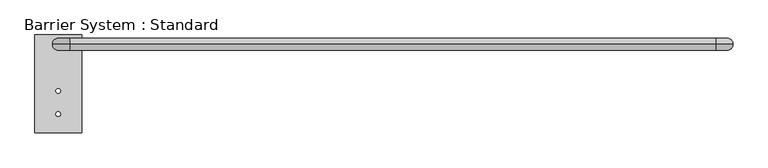
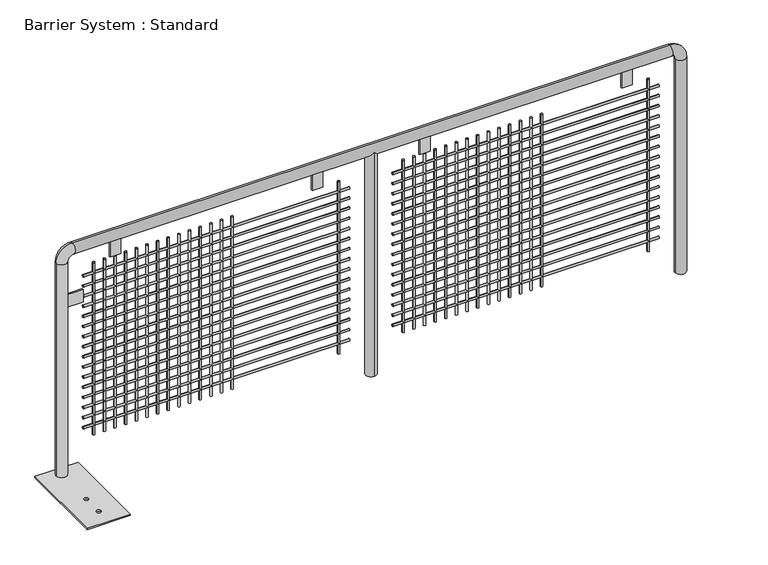
"""IFC4 building model written with IfcOpenShell, lengths in millimetres: proxy geometry, Barrier System : Standard."""

from ifc_helpers import new_model, si_unit, point, frame, frame_2d, origin, origin_with_axes, place, context, project, spatial, polyline, circle_curve, ellipse_curve, trimmed, segment, composite_curve, outline, extrude, source, transform, mapped, element, save
from ifc_brep_helpers import plane_surface, cylinder_surface, revolved_surface, advanced_brep


def barrier_system_standard_8e7e03a2(model_context):
    return source(origin(), model_context, "Body", "SolidModel", [
        extrude(outline(polyline([(100.0, 40.0), (100.0, -380.0), (-100.0, -380.0), (-100.0, 40.0), (100.0, 40.0)]), holes=[composite_curve([segment(trimmed(circle_curve(frame_2d((0.0, -200.0)), 10.0), [point((-10.0, -200.0))], [point((10.0, -200.0))], True, "CARTESIAN"), True, "CONTINUOUS"), segment(trimmed(circle_curve(frame_2d((0.0, -200.0)), 10.0), [point((10.0, -200.0))], [point((-10.0, -200.0))], True, "CARTESIAN"), True, "CONTINUOUS")], self_intersect=False), composite_curve([segment(trimmed(circle_curve(frame_2d((0.0, -300.0)), 10.0), [point((-10.0, -300.0))], [point((10.0, -300.0))], True, "CARTESIAN"), True, "CONTINUOUS"), segment(trimmed(circle_curve(frame_2d((0.0, -300.0)), 10.0), [point((10.0, -300.0))], [point((-10.0, -300.0))], True, "CARTESIAN"), True, "CONTINUOUS")], self_intersect=False)]), origin_with_axes(), (0.0, 0.0, 1.0), 6.0),
        extrude(outline(polyline([(100.0, 4.0), (100.0, -4.0), (0.0, -4.0), (0.0, 4.0), (100.0, 4.0)])), frame((0.0, 0.0, 820.2941176), z_axis=(0.0, 0.0, 1.0), x_axis=(1.0, 0.0, 0.0)), (0.0, 0.0, 1.0), 60.0),
        extrude(outline(polyline([(2647.168, 3.0), (2647.168, -3.0), (2597.168, -3.0), (2597.168, 3.0), (2647.168, 3.0)])), frame((0.0, 0.0, 995.0), z_axis=(0.0, 0.0, 1.0), x_axis=(1.0, 0.0, 0.0)), (0.0, 0.0, 1.0), 105.0),
        extrude(outline(polyline([(1710.232, 3.0), (1710.232, -3.0), (1660.232, -3.0), (1660.232, 3.0), (1710.232, 3.0)])), frame((0.0, 0.0, 995.0), z_axis=(0.0, 0.0, 1.0), x_axis=(1.0, 0.0, 0.0)), (0.0, 0.0, 1.0), 105.0),
        extrude(outline(polyline([(1211.368, 3.0), (1211.368, -3.0), (1161.368, -3.0), (1161.368, 3.0), (1211.368, 3.0)])), frame((0.0, 0.0, 995.0), z_axis=(0.0, 0.0, 1.0), x_axis=(1.0, 0.0, 0.0)), (0.0, 0.0, 1.0), 105.0),
        extrude(outline(polyline([(274.432, 3.0), (274.432, -3.0), (224.432, -3.0), (224.432, 3.0), (274.432, 3.0)])), frame((0.0, 0.0, 995.0), z_axis=(0.0, 0.0, 1.0), x_axis=(1.0, 0.0, 0.0)), (0.0, 0.0, 1.0), 105.0),
        extrude(outline(composite_curve([segment(trimmed(circle_curve(frame_2d((0.0, 249.4117647)), 5.0), [point((0.0, 244.4117647))], [point((0.0, 254.4117647))], False, "CARTESIAN"), True, "CONTINUOUS"), segment(trimmed(circle_curve(frame_2d((0.0, 249.4117647)), 5.0), [point((0.0, 254.4117647))], [point((0.0, 244.4117647))], False, "CARTESIAN"), True, "CONTINUOUS")], self_intersect=False)), frame((1535.8, 0.0, 0.0), z_axis=(1.0, 0.0, 0.0), x_axis=(0.0, 1.0, 0.0)), (0.0, 0.0, 1.0), 1235.8),
        extrude(outline(composite_curve([segment(trimmed(circle_curve(frame_2d((0.0, 299.1176471)), 5.0), [point((0.0, 294.1176471))], [point((0.0, 304.1176471))], False, "CARTESIAN"), True, "CONTINUOUS"), segment(trimmed(circle_curve(frame_2d((0.0, 299.1176471)), 5.0), [point((0.0, 304.1176471))], [point((0.0, 294.1176471))], False, "CARTESIAN"), True, "CONTINUOUS")], self_intersect=False)), frame((1535.8, 0.0, 0.0), z_axis=(1.0, 0.0, 0.0), x_axis=(0.0, 1.0, 0.0)), (0.0, 0.0, 1.0), 1235.8),
        extrude(outline(composite_curve([segment(trimmed(circle_curve(frame_2d((0.0, 348.8235294)), 5.0), [point((0.0, 343.8235294))], [point((0.0, 353.8235294))], False, "CARTESIAN"), True, "CONTINUOUS"), segment(trimmed(circle_curve(frame_2d((0.0, 348.8235294)), 5.0), [point((0.0, 353.8235294))], [point((0.0, 343.8235294))], False, "CARTESIAN"), True, "CONTINUOUS")], self_intersect=False)), frame((1535.8, 0.0, 0.0), z_axis=(1.0, 0.0, 0.0), x_axis=(0.0, 1.0, 0.0)), (0.0, 0.0, 1.0), 1235.8),
        extrude(outline(composite_curve([segment(trimmed(circle_curve(frame_2d((0.0, 398.5294118)), 5.0), [point((0.0, 393.5294118))], [point((0.0, 403.5294118))], False, "CARTESIAN"), True, "CONTINUOUS"), segment(trimmed(circle_curve(frame_2d((0.0, 398.5294118)), 5.0), [point((0.0, 403.5294118))], [point((0.0, 393.5294118))], False, "CARTESIAN"), True, "CONTINUOUS")], self_intersect=False)), frame((1535.8, 0.0, 0.0), z_axis=(1.0, 0.0, 0.0), x_axis=(0.0, 1.0, 0.0)), (0.0, 0.0, 1.0), 1235.8),
        extrude(outline(composite_curve([segment(trimmed(circle_curve(frame_2d((0.0, 448.2352941)), 5.0), [point((0.0, 443.2352941))], [point((0.0, 453.2352941))], False, "CARTESIAN"), True, "CONTINUOUS"), segment(trimmed(circle_curve(frame_2d((0.0, 448.2352941)), 5.0), [point((0.0, 453.2352941))], [point((0.0, 443.2352941))], False, "CARTESIAN"), True, "CONTINUOUS")], self_intersect=False)), frame((1535.8, 0.0, 0.0), z_axis=(1.0, 0.0, 0.0), x_axis=(0.0, 1.0, 0.0)), (0.0, 0.0, 1.0), 1235.8),
        extrude(outline(composite_curve([segment(trimmed(circle_curve(frame_2d((0.0, 497.9411765)), 5.0), [point((0.0, 492.9411765))], [point((0.0, 502.9411765))], False, "CARTESIAN"), True, "CONTINUOUS"), segment(trimmed(circle_curve(frame_2d((0.0, 497.9411765)), 5.0), [point((0.0, 502.9411765))], [point((0.0, 492.9411765))], False, "CARTESIAN"), True, "CONTINUOUS")], self_intersect=False)), frame((1535.8, 0.0, 0.0), z_axis=(1.0, 0.0, 0.0), x_axis=(0.0, 1.0, 0.0)), (0.0, 0.0, 1.0), 1235.8),
        extrude(outline(composite_curve([segment(trimmed(circle_curve(frame_2d((0.0, 547.6470588)), 5.0), [point((0.0, 542.6470588))], [point((0.0, 552.6470588))], False, "CARTESIAN"), True, "CONTINUOUS"), segment(trimmed(circle_curve(frame_2d((0.0, 547.6470588)), 5.0), [point((0.0, 552.6470588))], [point((0.0, 542.6470588))], False, "CARTESIAN"), True, "CONTINUOUS")], self_intersect=False)), frame((1535.8, 0.0, 0.0), z_axis=(1.0, 0.0, 0.0), x_axis=(0.0, 1.0, 0.0)), (0.0, 0.0, 1.0), 1235.8),
        extrude(outline(composite_curve([segment(trimmed(circle_curve(frame_2d((0.0, 597.3529412)), 5.0), [point((0.0, 592.3529412))], [point((0.0, 602.3529412))], False, "CARTESIAN"), True, "CONTINUOUS"), segment(trimmed(circle_curve(frame_2d((0.0, 597.3529412)), 5.0), [point((0.0, 602.3529412))], [point((0.0, 592.3529412))], False, "CARTESIAN"), True, "CONTINUOUS")], self_intersect=False)), frame((1535.8, 0.0, 0.0), z_axis=(1.0, 0.0, 0.0), x_axis=(0.0, 1.0, 0.0)), (0.0, 0.0, 1.0), 1235.8),
        extrude(outline(composite_curve([segment(trimmed(circle_curve(frame_2d((0.0, 647.0588235)), 5.0), [point((0.0, 642.0588235))], [point((0.0, 652.0588235))], False, "CARTESIAN"), True, "CONTINUOUS"), segment(trimmed(circle_curve(frame_2d((0.0, 647.0588235)), 5.0), [point((0.0, 652.0588235))], [point((0.0, 642.0588235))], False, "CARTESIAN"), True, "CONTINUOUS")], self_intersect=False)), frame((1535.8, 0.0, 0.0), z_axis=(1.0, 0.0, 0.0), x_axis=(0.0, 1.0, 0.0)), (0.0, 0.0, 1.0), 1235.8),
        extrude(outline(composite_curve([segment(trimmed(circle_curve(frame_2d((0.0, 696.7647059)), 5.0), [point((0.0, 691.7647059))], [point((0.0, 701.7647059))], False, "CARTESIAN"), True, "CONTINUOUS"), segment(trimmed(circle_curve(frame_2d((0.0, 696.7647059)), 5.0), [point((0.0, 701.7647059))], [point((0.0, 691.7647059))], False, "CARTESIAN"), True, "CONTINUOUS")], self_intersect=False)), frame((1535.8, 0.0, 0.0), z_axis=(1.0, 0.0, 0.0), x_axis=(0.0, 1.0, 0.0)), (0.0, 0.0, 1.0), 1235.8),
        extrude(outline(composite_curve([segment(trimmed(circle_curve(frame_2d((0.0, 746.4705882)), 5.0), [point((0.0, 741.4705882))], [point((0.0, 751.4705882))], False, "CARTESIAN"), True, "CONTINUOUS"), segment(trimmed(circle_curve(frame_2d((0.0, 746.4705882)), 5.0), [point((0.0, 751.4705882))], [point((0.0, 741.4705882))], False, "CARTESIAN"), True, "CONTINUOUS")], self_intersect=False)), frame((1535.8, 0.0, 0.0), z_axis=(1.0, 0.0, 0.0), x_axis=(0.0, 1.0, 0.0)), (0.0, 0.0, 1.0), 1235.8),
        extrude(outline(composite_curve([segment(trimmed(circle_curve(frame_2d((0.0, 796.1764706)), 5.0), [point((0.0, 791.1764706))], [point((0.0, 801.1764706))], False, "CARTESIAN"), True, "CONTINUOUS"), segment(trimmed(circle_curve(frame_2d((0.0, 796.1764706)), 5.0), [point((0.0, 801.1764706))], [point((0.0, 791.1764706))], False, "CARTESIAN"), True, "CONTINUOUS")], self_intersect=False)), frame((1535.8, 0.0, 0.0), z_axis=(1.0, 0.0, 0.0), x_axis=(0.0, 1.0, 0.0)), (0.0, 0.0, 1.0), 1235.8),
        extrude(outline(composite_curve([segment(trimmed(circle_curve(frame_2d((0.0, 845.8823529)), 5.0), [point((0.0, 840.8823529))], [point((0.0, 850.8823529))], False, "CARTESIAN"), True, "CONTINUOUS"), segment(trimmed(circle_curve(frame_2d((0.0, 845.8823529)), 5.0), [point((0.0, 850.8823529))], [point((0.0, 840.8823529))], False, "CARTESIAN"), True, "CONTINUOUS")], self_intersect=False)), frame((1535.8, 0.0, 0.0), z_axis=(1.0, 0.0, 0.0), x_axis=(0.0, 1.0, 0.0)), (0.0, 0.0, 1.0), 1235.8),
        extrude(outline(composite_curve([segment(trimmed(circle_curve(frame_2d((0.0, 895.5882353)), 5.0), [point((0.0, 890.5882353))], [point((0.0, 900.5882353))], False, "CARTESIAN"), True, "CONTINUOUS"), segment(trimmed(circle_curve(frame_2d((0.0, 895.5882353)), 5.0), [point((0.0, 900.5882353))], [point((0.0, 890.5882353))], False, "CARTESIAN"), True, "CONTINUOUS")], self_intersect=False)), frame((1535.8, 0.0, 0.0), z_axis=(1.0, 0.0, 0.0), x_axis=(0.0, 1.0, 0.0)), (0.0, 0.0, 1.0), 1235.8),
        extrude(outline(composite_curve([segment(trimmed(circle_curve(frame_2d((0.0, 199.7058824)), 5.0), [point((0.0, 194.7058824))], [point((0.0, 204.7058824))], False, "CARTESIAN"), True, "CONTINUOUS"), segment(trimmed(circle_curve(frame_2d((0.0, 199.7058824)), 5.0), [point((0.0, 204.7058824))], [point((0.0, 194.7058824))], False, "CARTESIAN"), True, "CONTINUOUS")], self_intersect=False)), frame((1535.8, 0.0, 0.0), z_axis=(1.0, 0.0, 0.0), x_axis=(0.0, 1.0, 0.0)), (0.0, 0.0, 1.0), 1235.8),
        extrude(outline(composite_curve([segment(trimmed(circle_curve(frame_2d((0.0, 945.2941176)), 5.0), [point((0.0, 940.2941176))], [point((0.0, 950.2941176))], False, "CARTESIAN"), True, "CONTINUOUS"), segment(trimmed(circle_curve(frame_2d((0.0, 945.2941176)), 5.0), [point((0.0, 950.2941176))], [point((0.0, 940.2941176))], False, "CARTESIAN"), True, "CONTINUOUS")], self_intersect=False)), frame((1535.8, 0.0, 0.0), z_axis=(1.0, 0.0, 0.0), x_axis=(0.0, 1.0, 0.0)), (0.0, 0.0, 1.0), 1235.8),
        extrude(outline(composite_curve([segment(trimmed(circle_curve(frame_2d((0.0, 249.4117647)), 5.0), [point((0.0, 244.4117647))], [point((0.0, 254.4117647))], False, "CARTESIAN"), True, "CONTINUOUS"), segment(trimmed(circle_curve(frame_2d((0.0, 249.4117647)), 5.0), [point((0.0, 254.4117647))], [point((0.0, 244.4117647))], False, "CARTESIAN"), True, "CONTINUOUS")], self_intersect=False)), frame((100.0, 0.0, 0.0), z_axis=(1.0, 0.0, 0.0), x_axis=(0.0, 1.0, 0.0)), (0.0, 0.0, 1.0), 1235.8),
        extrude(outline(composite_curve([segment(trimmed(circle_curve(frame_2d((0.0, 299.1176471)), 5.0), [point((0.0, 294.1176471))], [point((0.0, 304.1176471))], False, "CARTESIAN"), True, "CONTINUOUS"), segment(trimmed(circle_curve(frame_2d((0.0, 299.1176471)), 5.0), [point((0.0, 304.1176471))], [point((0.0, 294.1176471))], False, "CARTESIAN"), True, "CONTINUOUS")], self_intersect=False)), frame((100.0, 0.0, 0.0), z_axis=(1.0, 0.0, 0.0), x_axis=(0.0, 1.0, 0.0)), (0.0, 0.0, 1.0), 1235.8),
        extrude(outline(composite_curve([segment(trimmed(circle_curve(frame_2d((0.0, 348.8235294)), 5.0), [point((0.0, 343.8235294))], [point((0.0, 353.8235294))], False, "CARTESIAN"), True, "CONTINUOUS"), segment(trimmed(circle_curve(frame_2d((0.0, 348.8235294)), 5.0), [point((0.0, 353.8235294))], [point((0.0, 343.8235294))], False, "CARTESIAN"), True, "CONTINUOUS")], self_intersect=False)), frame((100.0, 0.0, 0.0), z_axis=(1.0, 0.0, 0.0), x_axis=(0.0, 1.0, 0.0)), (0.0, 0.0, 1.0), 1235.8),
        extrude(outline(composite_curve([segment(trimmed(circle_curve(frame_2d((0.0, 398.5294118)), 5.0), [point((0.0, 393.5294118))], [point((0.0, 403.5294118))], False, "CARTESIAN"), True, "CONTINUOUS"), segment(trimmed(circle_curve(frame_2d((0.0, 398.5294118)), 5.0), [point((0.0, 403.5294118))], [point((0.0, 393.5294118))], False, "CARTESIAN"), True, "CONTINUOUS")], self_intersect=False)), frame((100.0, 0.0, 0.0), z_axis=(1.0, 0.0, 0.0), x_axis=(0.0, 1.0, 0.0)), (0.0, 0.0, 1.0), 1235.8),
        extrude(outline(composite_curve([segment(trimmed(circle_curve(frame_2d((0.0, 448.2352941)), 5.0), [point((0.0, 443.2352941))], [point((0.0, 453.2352941))], False, "CARTESIAN"), True, "CONTINUOUS"), segment(trimmed(circle_curve(frame_2d((0.0, 448.2352941)), 5.0), [point((0.0, 453.2352941))], [point((0.0, 443.2352941))], False, "CARTESIAN"), True, "CONTINUOUS")], self_intersect=False)), frame((100.0, 0.0, 0.0), z_axis=(1.0, 0.0, 0.0), x_axis=(0.0, 1.0, 0.0)), (0.0, 0.0, 1.0), 1235.8),
        extrude(outline(composite_curve([segment(trimmed(circle_curve(frame_2d((0.0, 497.9411765)), 5.0), [point((0.0, 492.9411765))], [point((0.0, 502.9411765))], False, "CARTESIAN"), True, "CONTINUOUS"), segment(trimmed(circle_curve(frame_2d((0.0, 497.9411765)), 5.0), [point((0.0, 502.9411765))], [point((0.0, 492.9411765))], False, "CARTESIAN"), True, "CONTINUOUS")], self_intersect=False)), frame((100.0, 0.0, 0.0), z_axis=(1.0, 0.0, 0.0), x_axis=(0.0, 1.0, 0.0)), (0.0, 0.0, 1.0), 1235.8),
        extrude(outline(composite_curve([segment(trimmed(circle_curve(frame_2d((0.0, 547.6470588)), 5.0), [point((0.0, 542.6470588))], [point((0.0, 552.6470588))], False, "CARTESIAN"), True, "CONTINUOUS"), segment(trimmed(circle_curve(frame_2d((0.0, 547.6470588)), 5.0), [point((0.0, 552.6470588))], [point((0.0, 542.6470588))], False, "CARTESIAN"), True, "CONTINUOUS")], self_intersect=False)), frame((100.0, 0.0, 0.0), z_axis=(1.0, 0.0, 0.0), x_axis=(0.0, 1.0, 0.0)), (0.0, 0.0, 1.0), 1235.8),
        extrude(outline(composite_curve([segment(trimmed(circle_curve(frame_2d((0.0, 597.3529412)), 5.0), [point((0.0, 592.3529412))], [point((0.0, 602.3529412))], False, "CARTESIAN"), True, "CONTINUOUS"), segment(trimmed(circle_curve(frame_2d((0.0, 597.3529412)), 5.0), [point((0.0, 602.3529412))], [point((0.0, 592.3529412))], False, "CARTESIAN"), True, "CONTINUOUS")], self_intersect=False)), frame((100.0, 0.0, 0.0), z_axis=(1.0, 0.0, 0.0), x_axis=(0.0, 1.0, 0.0)), (0.0, 0.0, 1.0), 1235.8),
        extrude(outline(composite_curve([segment(trimmed(circle_curve(frame_2d((0.0, 647.0588235)), 5.0), [point((0.0, 642.0588235))], [point((0.0, 652.0588235))], False, "CARTESIAN"), True, "CONTINUOUS"), segment(trimmed(circle_curve(frame_2d((0.0, 647.0588235)), 5.0), [point((0.0, 652.0588235))], [point((0.0, 642.0588235))], False, "CARTESIAN"), True, "CONTINUOUS")], self_intersect=False)), frame((100.0, 0.0, 0.0), z_axis=(1.0, 0.0, 0.0), x_axis=(0.0, 1.0, 0.0)), (0.0, 0.0, 1.0), 1235.8),
        extrude(outline(composite_curve([segment(trimmed(circle_curve(frame_2d((0.0, 696.7647059)), 5.0), [point((0.0, 691.7647059))], [point((0.0, 701.7647059))], False, "CARTESIAN"), True, "CONTINUOUS"), segment(trimmed(circle_curve(frame_2d((0.0, 696.7647059)), 5.0), [point((0.0, 701.7647059))], [point((0.0, 691.7647059))], False, "CARTESIAN"), True, "CONTINUOUS")], self_intersect=False)), frame((100.0, 0.0, 0.0), z_axis=(1.0, 0.0, 0.0), x_axis=(0.0, 1.0, 0.0)), (0.0, 0.0, 1.0), 1235.8),
        extrude(outline(composite_curve([segment(trimmed(circle_curve(frame_2d((0.0, 746.4705882)), 5.0), [point((0.0, 741.4705882))], [point((0.0, 751.4705882))], False, "CARTESIAN"), True, "CONTINUOUS"), segment(trimmed(circle_curve(frame_2d((0.0, 746.4705882)), 5.0), [point((0.0, 751.4705882))], [point((0.0, 741.4705882))], False, "CARTESIAN"), True, "CONTINUOUS")], self_intersect=False)), frame((100.0, 0.0, 0.0), z_axis=(1.0, 0.0, 0.0), x_axis=(0.0, 1.0, 0.0)), (0.0, 0.0, 1.0), 1235.8),
        extrude(outline(composite_curve([segment(trimmed(circle_curve(frame_2d((0.0, 796.1764706)), 5.0), [point((0.0, 791.1764706))], [point((0.0, 801.1764706))], False, "CARTESIAN"), True, "CONTINUOUS"), segment(trimmed(circle_curve(frame_2d((0.0, 796.1764706)), 5.0), [point((0.0, 801.1764706))], [point((0.0, 791.1764706))], False, "CARTESIAN"), True, "CONTINUOUS")], self_intersect=False)), frame((100.0, 0.0, 0.0), z_axis=(1.0, 0.0, 0.0), x_axis=(0.0, 1.0, 0.0)), (0.0, 0.0, 1.0), 1235.8),
        extrude(outline(composite_curve([segment(trimmed(circle_curve(frame_2d((0.0, 845.8823529)), 5.0), [point((0.0, 840.8823529))], [point((0.0, 850.8823529))], False, "CARTESIAN"), True, "CONTINUOUS"), segment(trimmed(circle_curve(frame_2d((0.0, 845.8823529)), 5.0), [point((0.0, 850.8823529))], [point((0.0, 840.8823529))], False, "CARTESIAN"), True, "CONTINUOUS")], self_intersect=False)), frame((100.0, 0.0, 0.0), z_axis=(1.0, 0.0, 0.0), x_axis=(0.0, 1.0, 0.0)), (0.0, 0.0, 1.0), 1235.8),
        extrude(outline(composite_curve([segment(trimmed(circle_curve(frame_2d((0.0, 895.5882353)), 5.0), [point((0.0, 890.5882353))], [point((0.0, 900.5882353))], False, "CARTESIAN"), True, "CONTINUOUS"), segment(trimmed(circle_curve(frame_2d((0.0, 895.5882353)), 5.0), [point((0.0, 900.5882353))], [point((0.0, 890.5882353))], False, "CARTESIAN"), True, "CONTINUOUS")], self_intersect=False)), frame((100.0, 0.0, 0.0), z_axis=(1.0, 0.0, 0.0), x_axis=(0.0, 1.0, 0.0)), (0.0, 0.0, 1.0), 1235.8),
        extrude(outline(composite_curve([segment(trimmed(circle_curve(frame_2d((0.0, 199.7058824)), 5.0), [point((0.0, 194.7058824))], [point((0.0, 204.7058824))], False, "CARTESIAN"), True, "CONTINUOUS"), segment(trimmed(circle_curve(frame_2d((0.0, 199.7058824)), 5.0), [point((0.0, 204.7058824))], [point((0.0, 194.7058824))], False, "CARTESIAN"), True, "CONTINUOUS")], self_intersect=False)), frame((100.0, 0.0, 0.0), z_axis=(1.0, 0.0, 0.0), x_axis=(0.0, 1.0, 0.0)), (0.0, 0.0, 1.0), 1235.8),
        extrude(outline(composite_curve([segment(trimmed(circle_curve(frame_2d((0.0, 945.2941176)), 5.0), [point((0.0, 940.2941176))], [point((0.0, 950.2941176))], False, "CARTESIAN"), True, "CONTINUOUS"), segment(trimmed(circle_curve(frame_2d((0.0, 945.2941176)), 5.0), [point((0.0, 950.2941176))], [point((0.0, 940.2941176))], False, "CARTESIAN"), True, "CONTINUOUS")], self_intersect=False)), frame((100.0, 0.0, 0.0), z_axis=(1.0, 0.0, 0.0), x_axis=(0.0, 1.0, 0.0)), (0.0, 0.0, 1.0), 1235.8),
        extrude(outline(composite_curve([segment(trimmed(circle_curve(frame_2d((2227.848, 0.0)), 5.0), [point((2232.848, 0.0))], [point((2222.848, 0.0))], False, "CARTESIAN"), True, "CONTINUOUS"), segment(trimmed(circle_curve(frame_2d((2227.848, 0.0)), 5.0), [point((2222.848, 0.0))], [point((2232.848, 0.0))], False, "CARTESIAN"), True, "CONTINUOUS")], self_intersect=False)), frame((0.0, 0.0, 150.0), z_axis=(0.0, 0.0, 1.0), x_axis=(1.0, 0.0, 0.0)), (0.0, 0.0, 1.0), 845.0),
        extrude(outline(composite_curve([segment(trimmed(circle_curve(frame_2d((2178.416, 0.0)), 5.0), [point((2183.416, 0.0))], [point((2173.416, 0.0))], False, "CARTESIAN"), True, "CONTINUOUS"), segment(trimmed(circle_curve(frame_2d((2178.416, 0.0)), 5.0), [point((2173.416, 0.0))], [point((2183.416, 0.0))], False, "CARTESIAN"), True, "CONTINUOUS")], self_intersect=False)), frame((0.0, 0.0, 150.0), z_axis=(0.0, 0.0, 1.0), x_axis=(1.0, 0.0, 0.0)), (0.0, 0.0, 1.0), 845.0),
        extrude(outline(composite_curve([segment(trimmed(circle_curve(frame_2d((2128.984, 0.0)), 5.0), [point((2133.984, 0.0))], [point((2123.984, 0.0))], False, "CARTESIAN"), True, "CONTINUOUS"), segment(trimmed(circle_curve(frame_2d((2128.984, 0.0)), 5.0), [point((2123.984, 0.0))], [point((2133.984, 0.0))], False, "CARTESIAN"), True, "CONTINUOUS")], self_intersect=False)), frame((0.0, 0.0, 150.0), z_axis=(0.0, 0.0, 1.0), x_axis=(1.0, 0.0, 0.0)), (0.0, 0.0, 1.0), 845.0),
        extrude(outline(composite_curve([segment(trimmed(circle_curve(frame_2d((2079.552, 0.0)), 5.0), [point((2084.552, 0.0))], [point((2074.552, 0.0))], False, "CARTESIAN"), True, "CONTINUOUS"), segment(trimmed(circle_curve(frame_2d((2079.552, 0.0)), 5.0), [point((2074.552, 0.0))], [point((2084.552, 0.0))], False, "CARTESIAN"), True, "CONTINUOUS")], self_intersect=False)), frame((0.0, 0.0, 150.0), z_axis=(0.0, 0.0, 1.0), x_axis=(1.0, 0.0, 0.0)), (0.0, 0.0, 1.0), 845.0),
        extrude(outline(composite_curve([segment(trimmed(circle_curve(frame_2d((2030.12, 0.0)), 5.0), [point((2035.12, 0.0))], [point((2025.12, 0.0))], False, "CARTESIAN"), True, "CONTINUOUS"), segment(trimmed(circle_curve(frame_2d((2030.12, 0.0)), 5.0), [point((2025.12, 0.0))], [point((2035.12, 0.0))], False, "CARTESIAN"), True, "CONTINUOUS")], self_intersect=False)), frame((0.0, 0.0, 150.0), z_axis=(0.0, 0.0, 1.0), x_axis=(1.0, 0.0, 0.0)), (0.0, 0.0, 1.0), 845.0),
        extrude(outline(composite_curve([segment(trimmed(circle_curve(frame_2d((1980.688, 0.0)), 5.0), [point((1985.688, 0.0))], [point((1975.688, 0.0))], False, "CARTESIAN"), True, "CONTINUOUS"), segment(trimmed(circle_curve(frame_2d((1980.688, 0.0)), 5.0), [point((1975.688, 0.0))], [point((1985.688, 0.0))], False, "CARTESIAN"), True, "CONTINUOUS")], self_intersect=False)), frame((0.0, 0.0, 150.0), z_axis=(0.0, 0.0, 1.0), x_axis=(1.0, 0.0, 0.0)), (0.0, 0.0, 1.0), 845.0),
        extrude(outline(composite_curve([segment(trimmed(circle_curve(frame_2d((1931.256, 0.0)), 5.0), [point((1936.256, 0.0))], [point((1926.256, 0.0))], False, "CARTESIAN"), True, "CONTINUOUS"), segment(trimmed(circle_curve(frame_2d((1931.256, 0.0)), 5.0), [point((1926.256, 0.0))], [point((1936.256, 0.0))], False, "CARTESIAN"), True, "CONTINUOUS")], self_intersect=False)), frame((0.0, 0.0, 150.0), z_axis=(0.0, 0.0, 1.0), x_axis=(1.0, 0.0, 0.0)), (0.0, 0.0, 1.0), 845.0),
        extrude(outline(composite_curve([segment(trimmed(circle_curve(frame_2d((1881.824, 0.0)), 5.0), [point((1886.824, 0.0))], [point((1876.824, 0.0))], False, "CARTESIAN"), True, "CONTINUOUS"), segment(trimmed(circle_curve(frame_2d((1881.824, 0.0)), 5.0), [point((1876.824, 0.0))], [point((1886.824, 0.0))], False, "CARTESIAN"), True, "CONTINUOUS")], self_intersect=False)), frame((0.0, 0.0, 150.0), z_axis=(0.0, 0.0, 1.0), x_axis=(1.0, 0.0, 0.0)), (0.0, 0.0, 1.0), 845.0),
        extrude(outline(composite_curve([segment(trimmed(circle_curve(frame_2d((1832.392, 0.0)), 5.0), [point((1837.392, 0.0))], [point((1827.392, 0.0))], False, "CARTESIAN"), True, "CONTINUOUS"), segment(trimmed(circle_curve(frame_2d((1832.392, 0.0)), 5.0), [point((1827.392, 0.0))], [point((1837.392, 0.0))], False, "CARTESIAN"), True, "CONTINUOUS")], self_intersect=False)), frame((0.0, 0.0, 150.0), z_axis=(0.0, 0.0, 1.0), x_axis=(1.0, 0.0, 0.0)), (0.0, 0.0, 1.0), 845.0),
        extrude(outline(composite_curve([segment(trimmed(circle_curve(frame_2d((1782.96, 0.0)), 5.0), [point((1787.96, 0.0))], [point((1777.96, 0.0))], False, "CARTESIAN"), True, "CONTINUOUS"), segment(trimmed(circle_curve(frame_2d((1782.96, 0.0)), 5.0), [point((1777.96, 0.0))], [point((1787.96, 0.0))], False, "CARTESIAN"), True, "CONTINUOUS")], self_intersect=False)), frame((0.0, 0.0, 150.0), z_axis=(0.0, 0.0, 1.0), x_axis=(1.0, 0.0, 0.0)), (0.0, 0.0, 1.0), 845.0),
        extrude(outline(composite_curve([segment(trimmed(circle_curve(frame_2d((1733.528, 0.0)), 5.0), [point((1738.528, 0.0))], [point((1728.528, 0.0))], False, "CARTESIAN"), True, "CONTINUOUS"), segment(trimmed(circle_curve(frame_2d((1733.528, 0.0)), 5.0), [point((1728.528, 0.0))], [point((1738.528, 0.0))], False, "CARTESIAN"), True, "CONTINUOUS")], self_intersect=False)), frame((0.0, 0.0, 150.0), z_axis=(0.0, 0.0, 1.0), x_axis=(1.0, 0.0, 0.0)), (0.0, 0.0, 1.0), 845.0),
        extrude(outline(composite_curve([segment(trimmed(circle_curve(frame_2d((1684.096, 0.0)), 5.0), [point((1689.096, 0.0))], [point((1679.096, 0.0))], False, "CARTESIAN"), True, "CONTINUOUS"), segment(trimmed(circle_curve(frame_2d((1684.096, 0.0)), 5.0), [point((1679.096, 0.0))], [point((1689.096, 0.0))], False, "CARTESIAN"), True, "CONTINUOUS")], self_intersect=False)), frame((0.0, 0.0, 150.0), z_axis=(0.0, 0.0, 1.0), x_axis=(1.0, 0.0, 0.0)), (0.0, 0.0, 1.0), 845.0),
        extrude(outline(composite_curve([segment(trimmed(circle_curve(frame_2d((1634.664, 0.0)), 5.0), [point((1639.664, 0.0))], [point((1629.664, 0.0))], False, "CARTESIAN"), True, "CONTINUOUS"), segment(trimmed(circle_curve(frame_2d((1634.664, 0.0)), 5.0), [point((1629.664, 0.0))], [point((1639.664, 0.0))], False, "CARTESIAN"), True, "CONTINUOUS")], self_intersect=False)), frame((0.0, 0.0, 150.0), z_axis=(0.0, 0.0, 1.0), x_axis=(1.0, 0.0, 0.0)), (0.0, 0.0, 1.0), 845.0),
        extrude(outline(composite_curve([segment(trimmed(circle_curve(frame_2d((2722.168, 0.0)), 5.0), [point((2727.168, 0.0))], [point((2717.168, 0.0))], False, "CARTESIAN"), True, "CONTINUOUS"), segment(trimmed(circle_curve(frame_2d((2722.168, 0.0)), 5.0), [point((2717.168, 0.0))], [point((2727.168, 0.0))], False, "CARTESIAN"), True, "CONTINUOUS")], self_intersect=False)), frame((0.0, 0.0, 150.0), z_axis=(0.0, 0.0, 1.0), x_axis=(1.0, 0.0, 0.0)), (0.0, 0.0, 1.0), 845.0),
        extrude(outline(composite_curve([segment(trimmed(circle_curve(frame_2d((1585.232, 0.0)), 5.0), [point((1590.232, 0.0))], [point((1580.232, 0.0))], False, "CARTESIAN"), True, "CONTINUOUS"), segment(trimmed(circle_curve(frame_2d((1585.232, 0.0)), 5.0), [point((1580.232, 0.0))], [point((1590.232, 0.0))], False, "CARTESIAN"), True, "CONTINUOUS")], self_intersect=False)), frame((0.0, 0.0, 150.0), z_axis=(0.0, 0.0, 1.0), x_axis=(1.0, 0.0, 0.0)), (0.0, 0.0, 1.0), 845.0),
        extrude(outline(composite_curve([segment(trimmed(circle_curve(frame_2d((792.048, 0.0)), 5.0), [point((797.048, 0.0))], [point((787.048, 0.0))], False, "CARTESIAN"), True, "CONTINUOUS"), segment(trimmed(circle_curve(frame_2d((792.048, 0.0)), 5.0), [point((787.048, 0.0))], [point((797.048, 0.0))], False, "CARTESIAN"), True, "CONTINUOUS")], self_intersect=False)), frame((0.0, 0.0, 150.0), z_axis=(0.0, 0.0, 1.0), x_axis=(1.0, 0.0, 0.0)), (0.0, 0.0, 1.0), 845.0),
        extrude(outline(composite_curve([segment(trimmed(circle_curve(frame_2d((742.616, 0.0)), 5.0), [point((747.616, 0.0))], [point((737.616, 0.0))], False, "CARTESIAN"), True, "CONTINUOUS"), segment(trimmed(circle_curve(frame_2d((742.616, 0.0)), 5.0), [point((737.616, 0.0))], [point((747.616, 0.0))], False, "CARTESIAN"), True, "CONTINUOUS")], self_intersect=False)), frame((0.0, 0.0, 150.0), z_axis=(0.0, 0.0, 1.0), x_axis=(1.0, 0.0, 0.0)), (0.0, 0.0, 1.0), 845.0),
        extrude(outline(composite_curve([segment(trimmed(circle_curve(frame_2d((693.184, 0.0)), 5.0), [point((698.184, 0.0))], [point((688.184, 0.0))], False, "CARTESIAN"), True, "CONTINUOUS"), segment(trimmed(circle_curve(frame_2d((693.184, 0.0)), 5.0), [point((688.184, 0.0))], [point((698.184, 0.0))], False, "CARTESIAN"), True, "CONTINUOUS")], self_intersect=False)), frame((0.0, 0.0, 150.0), z_axis=(0.0, 0.0, 1.0), x_axis=(1.0, 0.0, 0.0)), (0.0, 0.0, 1.0), 845.0),
        extrude(outline(composite_curve([segment(trimmed(circle_curve(frame_2d((643.752, 0.0)), 5.0), [point((648.752, 0.0))], [point((638.752, 0.0))], False, "CARTESIAN"), True, "CONTINUOUS"), segment(trimmed(circle_curve(frame_2d((643.752, 0.0)), 5.0), [point((638.752, 0.0))], [point((648.752, 0.0))], False, "CARTESIAN"), True, "CONTINUOUS")], self_intersect=False)), frame((0.0, 0.0, 150.0), z_axis=(0.0, 0.0, 1.0), x_axis=(1.0, 0.0, 0.0)), (0.0, 0.0, 1.0), 845.0),
        extrude(outline(composite_curve([segment(trimmed(circle_curve(frame_2d((594.32, 0.0)), 5.0), [point((599.32, 0.0))], [point((589.32, 0.0))], False, "CARTESIAN"), True, "CONTINUOUS"), segment(trimmed(circle_curve(frame_2d((594.32, 0.0)), 5.0), [point((589.32, 0.0))], [point((599.32, 0.0))], False, "CARTESIAN"), True, "CONTINUOUS")], self_intersect=False)), frame((0.0, 0.0, 150.0), z_axis=(0.0, 0.0, 1.0), x_axis=(1.0, 0.0, 0.0)), (0.0, 0.0, 1.0), 845.0),
        extrude(outline(composite_curve([segment(trimmed(circle_curve(frame_2d((544.888, 0.0)), 5.0), [point((549.888, 0.0))], [point((539.888, 0.0))], False, "CARTESIAN"), True, "CONTINUOUS"), segment(trimmed(circle_curve(frame_2d((544.888, 0.0)), 5.0), [point((539.888, 0.0))], [point((549.888, 0.0))], False, "CARTESIAN"), True, "CONTINUOUS")], self_intersect=False)), frame((0.0, 0.0, 150.0), z_axis=(0.0, 0.0, 1.0), x_axis=(1.0, 0.0, 0.0)), (0.0, 0.0, 1.0), 845.0),
        extrude(outline(composite_curve([segment(trimmed(circle_curve(frame_2d((495.456, 0.0)), 5.0), [point((500.456, 0.0))], [point((490.456, 0.0))], False, "CARTESIAN"), True, "CONTINUOUS"), segment(trimmed(circle_curve(frame_2d((495.456, 0.0)), 5.0), [point((490.456, 0.0))], [point((500.456, 0.0))], False, "CARTESIAN"), True, "CONTINUOUS")], self_intersect=False)), frame((0.0, 0.0, 150.0), z_axis=(0.0, 0.0, 1.0), x_axis=(1.0, 0.0, 0.0)), (0.0, 0.0, 1.0), 845.0),
        extrude(outline(composite_curve([segment(trimmed(circle_curve(frame_2d((446.024, 0.0)), 5.0), [point((451.024, 0.0))], [point((441.024, 0.0))], False, "CARTESIAN"), True, "CONTINUOUS"), segment(trimmed(circle_curve(frame_2d((446.024, 0.0)), 5.0), [point((441.024, 0.0))], [point((451.024, 0.0))], False, "CARTESIAN"), True, "CONTINUOUS")], self_intersect=False)), frame((0.0, 0.0, 150.0), z_axis=(0.0, 0.0, 1.0), x_axis=(1.0, 0.0, 0.0)), (0.0, 0.0, 1.0), 845.0),
        extrude(outline(composite_curve([segment(trimmed(circle_curve(frame_2d((396.592, 0.0)), 5.0), [point((401.592, 0.0))], [point((391.592, 0.0))], False, "CARTESIAN"), True, "CONTINUOUS"), segment(trimmed(circle_curve(frame_2d((396.592, 0.0)), 5.0), [point((391.592, 0.0))], [point((401.592, 0.0))], False, "CARTESIAN"), True, "CONTINUOUS")], self_intersect=False)), frame((0.0, 0.0, 150.0), z_axis=(0.0, 0.0, 1.0), x_axis=(1.0, 0.0, 0.0)), (0.0, 0.0, 1.0), 845.0),
        extrude(outline(composite_curve([segment(trimmed(circle_curve(frame_2d((347.16, 0.0)), 5.0), [point((352.16, 0.0))], [point((342.16, 0.0))], False, "CARTESIAN"), True, "CONTINUOUS"), segment(trimmed(circle_curve(frame_2d((347.16, 0.0)), 5.0), [point((342.16, 0.0))], [point((352.16, 0.0))], False, "CARTESIAN"), True, "CONTINUOUS")], self_intersect=False)), frame((0.0, 0.0, 150.0), z_axis=(0.0, 0.0, 1.0), x_axis=(1.0, 0.0, 0.0)), (0.0, 0.0, 1.0), 845.0),
        extrude(outline(composite_curve([segment(trimmed(circle_curve(frame_2d((297.728, 0.0)), 5.0), [point((302.728, 0.0))], [point((292.728, 0.0))], False, "CARTESIAN"), True, "CONTINUOUS"), segment(trimmed(circle_curve(frame_2d((297.728, 0.0)), 5.0), [point((292.728, 0.0))], [point((302.728, 0.0))], False, "CARTESIAN"), True, "CONTINUOUS")], self_intersect=False)), frame((0.0, 0.0, 150.0), z_axis=(0.0, 0.0, 1.0), x_axis=(1.0, 0.0, 0.0)), (0.0, 0.0, 1.0), 845.0),
        extrude(outline(composite_curve([segment(trimmed(circle_curve(frame_2d((248.296, 0.0)), 5.0), [point((253.296, 0.0))], [point((243.296, 0.0))], False, "CARTESIAN"), True, "CONTINUOUS"), segment(trimmed(circle_curve(frame_2d((248.296, 0.0)), 5.0), [point((243.296, 0.0))], [point((253.296, 0.0))], False, "CARTESIAN"), True, "CONTINUOUS")], self_intersect=False)), frame((0.0, 0.0, 150.0), z_axis=(0.0, 0.0, 1.0), x_axis=(1.0, 0.0, 0.0)), (0.0, 0.0, 1.0), 845.0),
        extrude(outline(composite_curve([segment(trimmed(circle_curve(frame_2d((198.864, 0.0)), 5.0), [point((203.864, 0.0))], [point((193.864, 0.0))], False, "CARTESIAN"), True, "CONTINUOUS"), segment(trimmed(circle_curve(frame_2d((198.864, 0.0)), 5.0), [point((193.864, 0.0))], [point((203.864, 0.0))], False, "CARTESIAN"), True, "CONTINUOUS")], self_intersect=False)), frame((0.0, 0.0, 150.0), z_axis=(0.0, 0.0, 1.0), x_axis=(1.0, 0.0, 0.0)), (0.0, 0.0, 1.0), 845.0),
        extrude(outline(composite_curve([segment(trimmed(circle_curve(frame_2d((1286.368, 0.0)), 5.0), [point((1291.368, 0.0))], [point((1281.368, 0.0))], False, "CARTESIAN"), True, "CONTINUOUS"), segment(trimmed(circle_curve(frame_2d((1286.368, 0.0)), 5.0), [point((1281.368, 0.0))], [point((1291.368, 0.0))], False, "CARTESIAN"), True, "CONTINUOUS")], self_intersect=False)), frame((0.0, 0.0, 150.0), z_axis=(0.0, 0.0, 1.0), x_axis=(1.0, 0.0, 0.0)), (0.0, 0.0, 1.0), 845.0),
        extrude(outline(composite_curve([segment(trimmed(circle_curve(frame_2d((149.432, 0.0)), 5.0), [point((154.432, 0.0))], [point((144.432, 0.0))], False, "CARTESIAN"), True, "CONTINUOUS"), segment(trimmed(circle_curve(frame_2d((149.432, 0.0)), 5.0), [point((144.432, 0.0))], [point((154.432, 0.0))], False, "CARTESIAN"), True, "CONTINUOUS")], self_intersect=False)), frame((0.0, 0.0, 150.0), z_axis=(0.0, 0.0, 1.0), x_axis=(1.0, 0.0, 0.0)), (0.0, 0.0, 1.0), 845.0),
        advanced_brep(
        [(25.0, 0.0, 0.0), (-25.0, 0.0, 0.0), (25.0, 0.0, 1050.0), (-25.0, 0.0, 1050.0), (50.0, 0.0, 1075.0), (50.0, 0.0, 1125.0), (1410.8, 0.0, 1075.0), (1435.8, -25.0, 1100.0), (1460.8, 0.0, 1075.0), (2821.6, 0.0, 1075.0), (2821.6, 0.0, 1125.0), (1435.8, 25.0, 1100.0), (2846.6, 0.0, 1050.0), (2896.6, 0.0, 1050.0), (2846.6, 0.0, 0.0), (2896.6, 0.0, 0.0), (1435.8, 25.0, 0.0), (1435.8, -25.0, 0.0)],
        [
            (0, 1, circle_curve(frame((0.0, 0.0, 0.0), z_axis=(0.0, 0.0, -1.0), x_axis=(-1.0, 0.0, 0.0)), 25.0)),
            (1, 0, circle_curve(frame((0.0, 0.0, 0.0), z_axis=(0.0, 0.0, -1.0), x_axis=(-1.0, 0.0, 0.0)), 25.0)),
            (0, 2),
            (2, 3, circle_curve(frame((0.0, 0.0, 1050.0), z_axis=(0.0, 0.0, -1.0), x_axis=(-1.0, 0.0, 0.0)), 25.0)),
            (3, 1),
            (3, 2, circle_curve(frame((0.0, 0.0, 1050.0), z_axis=(0.0, 0.0, -1.0), x_axis=(-1.0, 0.0, 0.0)), 25.0)),
            (2, 4, circle_curve(frame((50.0, 0.0, 1050.0), z_axis=(0.0, 1.0, 0.0), x_axis=(-1.0, 0.0, 0.0)), 25.0)),
            (4, 5, circle_curve(frame((50.0, 0.0, 1100.0), z_axis=(-1.0, 0.0, 0.0), x_axis=(0.0, 0.0, 1.0)), 25.0)),
            (5, 3, circle_curve(frame((50.0, 0.0, 1050.0), z_axis=(0.0, -1.0, 0.0), x_axis=(-1.0, 0.0, 0.0)), 75.0)),
            (5, 4, circle_curve(frame((50.0, 0.0, 1100.0), z_axis=(-1.0, 0.0, 0.0), x_axis=(0.0, 0.0, 1.0)), 25.0)),
            (4, 6),
            (6, 7, ellipse_curve(frame((1435.8, 0.0, 1100.0), z_axis=(-0.7071067811865475, 0.0, 0.7071067811865475), x_axis=(-0.7071067811865476, 0.0, -0.7071067811865474)), 35.3553391, 25.0)),
            (7, 8, ellipse_curve(frame((1435.8, 0.0, 1100.0), z_axis=(0.7071067811865475, 0.0, 0.7071067811865475), x_axis=(-0.7071067811865476, 0.0, 0.7071067811865474)), 35.3553391, 25.0)),
            (8, 9),
            (9, 10, circle_curve(frame((2821.6, 0.0, 1100.0), z_axis=(-1.0, 0.0, 0.0), x_axis=(0.0, 0.0, 1.0)), 25.0)),
            (10, 5),
            (10, 9, circle_curve(frame((2821.6, 0.0, 1100.0), z_axis=(-1.0, 0.0, 0.0), x_axis=(0.0, 0.0, 1.0)), 25.0)),
            (8, 11, ellipse_curve(frame((1435.8, 0.0, 1100.0), z_axis=(0.7071067811865475, 0.0, 0.7071067811865475), x_axis=(-0.7071067811865476, 0.0, 0.7071067811865474)), 35.3553391, 25.0)),
            (11, 6, ellipse_curve(frame((1435.8, 0.0, 1100.0), z_axis=(-0.7071067811865475, 0.0, 0.7071067811865475), x_axis=(-0.7071067811865476, 0.0, -0.7071067811865474)), 35.3553391, 25.0)),
            (9, 12, circle_curve(frame((2821.6, 0.0, 1050.0), z_axis=(0.0, 1.0, 0.0), x_axis=(0.0, 0.0, 1.0)), 25.0)),
            (12, 13, circle_curve(frame((2871.6, 0.0, 1050.0), z_axis=(0.0, 0.0, 1.0), x_axis=(1.0, 0.0, 0.0)), 25.0)),
            (13, 10, circle_curve(frame((2821.6, 0.0, 1050.0), z_axis=(0.0, -1.0, 0.0), x_axis=(0.0, 0.0, 1.0)), 75.0)),
            (13, 12, circle_curve(frame((2871.6, 0.0, 1050.0), z_axis=(0.0, 0.0, 1.0), x_axis=(1.0, 0.0, 0.0)), 25.0)),
            (14, 15, circle_curve(frame((2871.6, 0.0, 0.0), z_axis=(0.0, 0.0, -1.0), x_axis=(1.0, 0.0, 0.0)), 25.0)),
            (15, 14, circle_curve(frame((2871.6, 0.0, 0.0), z_axis=(0.0, 0.0, -1.0), x_axis=(1.0, 0.0, 0.0)), 25.0)),
            (12, 14),
            (15, 13),
            (16, 17, circle_curve(frame((1435.8, 0.0, 0.0), z_axis=(0.0, 0.0, -1.0), x_axis=(0.0, -1.0, 0.0)), 25.0)),
            (17, 16, circle_curve(frame((1435.8, 0.0, 0.0), z_axis=(0.0, 0.0, -1.0), x_axis=(0.0, -1.0, 0.0)), 25.0)),
            (17, 7),
            (11, 16),
        ],
        [
            plane_surface(frame((0.0, 0.0, 0.0), z_axis=(0.0, 0.0, -1.0), x_axis=(0.0, -1.0, 0.0))),
            cylinder_surface(frame((0.0, 0.0, 0.0), z_axis=(0.0, 0.0, -1.0), x_axis=(-1.0, 0.0, 0.0)), 25.0),
            revolved_surface(trimmed(ellipse_curve(frame((0.0, 0.0, 1050.0), z_axis=(0.0, 0.0, -1.0), x_axis=(-1.0, 0.0, 0.0)), 25.0, 25.0), [point((25.0, 0.0, 1050.0))], [point((-25.0, 0.0, 1050.0))], True, "CARTESIAN"), (50.0, 0.0, 1050.0), (0.0, 1.0, 0.0)),
            revolved_surface(trimmed(ellipse_curve(frame((0.0, 0.0, 1050.0), z_axis=(0.0, 0.0, -1.0), x_axis=(-1.0, 0.0, 0.0)), 25.0, 25.0), [point((-25.0, 0.0, 1050.0))], [point((25.0, 0.0, 1050.0))], True, "CARTESIAN"), (50.0, 0.0, 1050.0), (0.0, 1.0, 0.0)),
            cylinder_surface(frame((50.0, 0.0, 1100.0), z_axis=(-1.0, 0.0, 0.0), x_axis=(0.0, 0.0, 1.0)), 25.0),
            revolved_surface(trimmed(ellipse_curve(frame((2821.6, 0.0, 1100.0), z_axis=(-1.0, 0.0, 0.0), x_axis=(0.0, 0.0, 1.0)), 25.0, 25.0), [point((2821.6, 0.0, 1075.0))], [point((2821.6, 0.0, 1125.0))], True, "CARTESIAN"), (2821.6, 0.0, 1050.0), (0.0, 1.0, 0.0)),
            revolved_surface(trimmed(ellipse_curve(frame((2821.6, 0.0, 1100.0), z_axis=(-1.0, 0.0, 0.0), x_axis=(0.0, 0.0, 1.0)), 25.0, 25.0), [point((2821.6, 0.0, 1125.0))], [point((2821.6, 0.0, 1075.0))], True, "CARTESIAN"), (2821.6, 0.0, 1050.0), (0.0, 1.0, 0.0)),
            plane_surface(frame((2871.6, 0.0, 0.0), z_axis=(0.0, 0.0, -1.0), x_axis=(0.0, -1.0, 0.0))),
            cylinder_surface(frame((2871.6, 0.0, 1050.0), z_axis=(0.0, 0.0, 1.0), x_axis=(1.0, 0.0, 0.0)), 25.0),
            plane_surface(frame((1435.8, 0.0, 0.0), z_axis=(0.0, 0.0, -1.0), x_axis=(0.0, -1.0, 0.0))),
            cylinder_surface(frame((1435.8, 0.0, 1100.0), z_axis=(0.0, 0.0, 1.0), x_axis=(0.0, -1.0, 0.0)), 25.0),
        ],
        [
            (0, [[1, 2]]),
            (1, [[-1, 3, 4, 5]]),
            (1, [[-2, -5, 6, -3]]),
            (2, [[-4, 7, 8, 9]]),
            (3, [[-6, -9, 10, -7]]),
            (4, [[-8, 11, 12, 13, 14, 15, 16]]),
            (4, [[-10, -16, 17, -14, 18, 19, -11]]),
            (5, [[-15, 20, 21, 22]]),
            (6, [[-17, -22, 23, -20]]),
            (7, [[24, 25]]),
            (8, [[-21, 26, -25, 27]]),
            (8, [[-23, -27, -24, -26]]),
            (9, [[28, 29]]),
            (10, [[-29, 30, -12, -19, 31]]),
            (10, [[-28, -31, -18, -13, -30]]),
        ],
    ),
    ])


if __name__ == "__main__":
    model = new_model("IFC4")
    model_context = context("Model", 3, world=origin())
    ifc_project = project(units=[si_unit("LENGTHUNIT", "METRE", prefix="MILLI")], contexts=[model_context])
    site = spatial("IfcSite", under=ifc_project)
    building = spatial("IfcBuilding", under=site)
    placement = place(None, origin())
    barrier_system_standard_shape = barrier_system_standard_8e7e03a2(model_context)
    element("IfcBuildingElementProxy", 1, Name="Barrier System : Standard", ObjectType="Barrier System : Standard", at=placement, inside=building, context=model_context, shape_type="MappedRepresentation", body=[
        mapped(barrier_system_standard_shape, transform((0.0, 0.0, 0.0), x_axis=(1.0, 0.0, 0.0), y_axis=(0.0, 1.0, 0.0), z_axis=(0.0, 0.0, 1.0))),
    ])
    save(model, "model.ifc")
